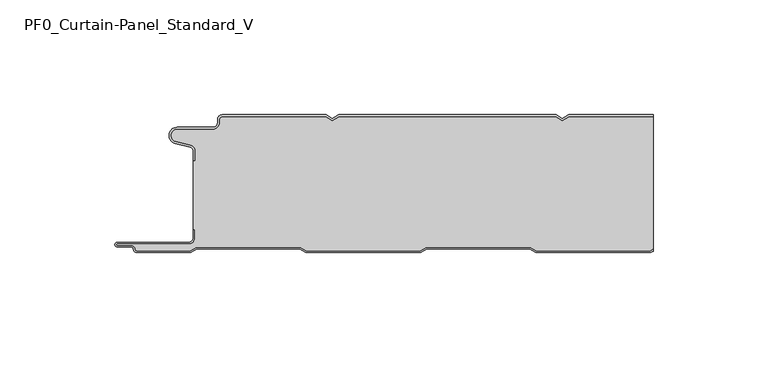
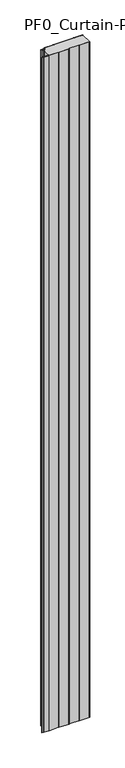
"""IFC4 building model written with IfcOpenShell, lengths in millimetres: plate geometry, PF0_Curtain-Panel_Standard_V."""

from ifc_helpers import new_model, si_unit, point, frame_2d, origin, origin_with_axes, place, context, project, spatial, polyline, circle_curve, trimmed, segment, composite_curve, outline, extrude, source, transform, mapped, element, save


def pf0_curtain_panel_standard_v_c6ac6e94(model_context):
    return source(origin(), model_context, "Body", "SweptSolid", [
        extrude(outline(composite_curve([segment(trimmed(circle_curve(frame_2d((-102.0, -15.878557)), 2.0), [point((-100.0, -15.878557))], [point((-101.5500978, -13.9298169))], True, "CARTESIAN"), True, "CONTINUOUS"), segment(polyline([(-101.5500978, -13.9298169), (-107.7098239, -12.507732)]), True, "CONTINUOUS"), segment(trimmed(circle_curve(frame_2d((-106.9, -9.0)), 3.6), [point((-107.7098239, -12.507732))], [point((-106.9, -5.4))], False, "CARTESIAN"), True, "CONTINUOUS"), segment(polyline([(-106.9, -5.4), (-91.4, -5.4)]), True, "CONTINUOUS"), segment(trimmed(circle_curve(frame_2d((-91.4, -3.4)), 2.0), [point((-91.4, -5.4))], [point((-89.4, -3.4))], True, "CARTESIAN"), True, "CONTINUOUS"), segment(polyline([(-89.4, -3.4), (-89.4, -2.0)]), True, "CONTINUOUS"), segment(trimmed(circle_curve(frame_2d((-87.4, -2.0)), 2.0), [point((-89.4, -2.0))], [point((-87.4, 0.0))], False, "CARTESIAN"), True, "CONTINUOUS"), segment(polyline([(-87.4, 0.0), (-42.0999995, 0.0), (-39.4, -1.5588455), (-36.7000005, 0.0), (57.9000005, 0.0), (60.6, -1.5588455), (63.2999995, 0.0), (100.0, 0.0), (100.0, -0.8), (63.5143588, -0.8), (60.6, -2.482606), (57.6856412, -0.8), (-36.4856412, -0.8), (-39.4, -2.482606), (-42.3143588, -0.8), (-87.4, -0.8)]), True, "CONTINUOUS"), segment(trimmed(circle_curve(frame_2d((-87.4, -2.0)), 1.2), [point((-87.4, -0.8))], [point((-88.6, -2.0))], True, "CARTESIAN"), True, "CONTINUOUS"), segment(polyline([(-88.6, -2.0), (-88.6, -3.4)]), True, "CONTINUOUS"), segment(trimmed(circle_curve(frame_2d((-91.4, -3.4)), 2.8), [point((-88.6, -3.4))], [point((-91.4, -6.2))], False, "CARTESIAN"), True, "CONTINUOUS"), segment(polyline([(-91.4, -6.2), (-106.9, -6.2)]), True, "CONTINUOUS"), segment(trimmed(circle_curve(frame_2d((-106.9, -9.0)), 2.8), [point((-106.9, -6.2))], [point((-107.529863, -11.7282362))], True, "CARTESIAN"), True, "CONTINUOUS"), segment(polyline([(-107.529863, -11.7282362), (-101.370137, -13.150321)]), True, "CONTINUOUS"), segment(trimmed(circle_curve(frame_2d((-102.0, -15.878557)), 2.8), [point((-101.370137, -13.150321))], [point((-99.2, -15.878557))], False, "CARTESIAN"), True, "CONTINUOUS"), segment(polyline([(-99.2, -15.878557), (-99.2, -20.0), (-100.0, -20.0), (-100.0, -15.878557)]), True, "CONTINUOUS")], self_intersect=False)), origin_with_axes(), (0.0, 0.0, 1.0), 3500.0),
        extrude(outline(composite_curve([segment(polyline([(-99.2, -50.0), (-100.0, -50.0), (-100.0, -20.0), (-99.2, -20.0), (-99.2, -15.878557)]), True, "CONTINUOUS"), segment(trimmed(circle_curve(frame_2d((-102.0, -15.878557)), 2.8), [point((-99.2, -15.878557))], [point((-101.370137, -13.1503208))], True, "CARTESIAN"), True, "CONTINUOUS"), segment(polyline([(-101.370137, -13.1503208), (-107.529863, -11.7282362)]), True, "CONTINUOUS"), segment(trimmed(circle_curve(frame_2d((-106.9, -9.0)), 2.8), [point((-107.529863, -11.7282362))], [point((-106.9, -6.2))], False, "CARTESIAN"), True, "CONTINUOUS"), segment(polyline([(-106.9, -6.2), (-91.4, -6.2)]), True, "CONTINUOUS"), segment(trimmed(circle_curve(frame_2d((-91.4, -3.4)), 2.8), [point((-91.4, -6.2))], [point((-88.6, -3.4))], True, "CARTESIAN"), True, "CONTINUOUS"), segment(polyline([(-88.6, -3.4), (-88.6, -2.0)]), True, "CONTINUOUS"), segment(trimmed(circle_curve(frame_2d((-87.4, -2.0)), 1.2), [point((-88.6, -2.0))], [point((-87.4, -0.8))], False, "CARTESIAN"), True, "CONTINUOUS"), segment(polyline([(-87.4, -0.8), (-42.3143588, -0.8), (-39.4, -2.482606), (-36.4856412, -0.8), (57.6856412, -0.8), (60.6, -2.482606), (63.5143588, -0.8), (100.0, -0.8), (100.0, -58.5016287), (98.7903848, -59.2), (49.2152562, -59.2), (46.6171786, -57.7), (1.3884624, -57.7), (-1.2096152, -59.2), (-50.7847438, -59.2), (-53.3828214, -57.7), (-98.6115376, -57.7), (-101.2096152, -59.2), (-124.4, -59.2)]), True, "CONTINUOUS"), segment(trimmed(circle_curve(frame_2d((-124.4, -58.4)), 0.8), [point((-124.4, -59.2))], [point((-125.2, -58.4))], False, "CARTESIAN"), True, "CONTINUOUS"), segment(trimmed(circle_curve(frame_2d((-126.9, -58.6133333)), 1.7133333), [point((-125.2, -58.4))], [point((-126.9, -56.9))], True, "CARTESIAN"), True, "CONTINUOUS"), segment(polyline([(-126.9, -56.9), (-132.8700312, -56.9)]), True, "CONTINUOUS"), segment(trimmed(circle_curve(frame_2d((-132.8700312, -56.6)), 0.3), [point((-132.8700312, -56.9))], [point((-132.8700312, -56.3))], False, "CARTESIAN"), True, "CONTINUOUS"), segment(polyline([(-132.8700312, -56.3), (-102.0, -56.3)]), True, "CONTINUOUS"), segment(trimmed(circle_curve(frame_2d((-102.0, -53.5)), 2.8), [point((-102.0, -56.3))], [point((-99.2, -53.5))], True, "CARTESIAN"), True, "CONTINUOUS"), segment(polyline([(-99.2, -53.5), (-99.2, -50.0)]), True, "CONTINUOUS")], self_intersect=False)), origin_with_axes(), (0.0, 0.0, 1.0), 3500.0),
        extrude(outline(composite_curve([segment(polyline([(-100.0, -50.0), (-99.2, -50.0), (-99.2, -53.5)]), True, "CONTINUOUS"), segment(trimmed(circle_curve(frame_2d((-102.0, -53.5)), 2.8), [point((-99.2, -53.5))], [point((-102.0, -56.3))], False, "CARTESIAN"), True, "CONTINUOUS"), segment(polyline([(-102.0, -56.3), (-132.8700312, -56.3)]), True, "CONTINUOUS"), segment(trimmed(circle_curve(frame_2d((-132.8700312, -56.6)), 0.3), [point((-132.8700312, -56.3))], [point((-132.8700312, -56.9))], True, "CARTESIAN"), True, "CONTINUOUS"), segment(polyline([(-132.8700312, -56.9), (-126.9, -56.9)]), True, "CONTINUOUS"), segment(trimmed(circle_curve(frame_2d((-126.9, -58.6133333)), 1.7133333), [point((-126.9, -56.9))], [point((-125.2, -58.4))], False, "CARTESIAN"), True, "CONTINUOUS"), segment(trimmed(circle_curve(frame_2d((-124.4, -58.4)), 0.8), [point((-125.2, -58.4))], [point((-124.4, -59.2))], True, "CARTESIAN"), True, "CONTINUOUS"), segment(polyline([(-124.4, -59.2), (-101.2096152, -59.2), (-98.6115376, -57.7), (-53.3828214, -57.7), (-50.7847438, -59.2), (-1.2096152, -59.2), (1.3884624, -57.7), (46.6171786, -57.7), (49.2152562, -59.2), (98.7903848, -59.2), (100.0, -58.5016287), (100.0, -59.425389), (99.0047441, -60.0), (49.0008969, -60.0), (46.4028193, -58.5), (1.6028217, -58.5), (-0.9952559, -60.0), (-50.9991031, -60.0), (-53.5971807, -58.5), (-98.3971783, -58.5), (-100.9952559, -60.0), (-124.4, -60.0)]), True, "CONTINUOUS"), segment(trimmed(circle_curve(frame_2d((-124.4, -58.4)), 1.6), [point((-124.4, -60.0))], [point((-126.0, -58.4))], False, "CARTESIAN"), True, "CONTINUOUS"), segment(trimmed(circle_curve(frame_2d((-126.9, -58.4)), 0.9), [point((-126.0, -58.4))], [point((-126.9, -57.5))], True, "CARTESIAN"), True, "CONTINUOUS"), segment(polyline([(-126.9, -57.5), (-133.0, -57.5)]), True, "CONTINUOUS"), segment(trimmed(circle_curve(frame_2d((-133.0, -56.5)), 1.0), [point((-133.0, -57.5))], [point((-133.0, -55.5))], False, "CARTESIAN"), True, "CONTINUOUS"), segment(polyline([(-133.0, -55.5), (-102.0, -55.5)]), True, "CONTINUOUS"), segment(trimmed(circle_curve(frame_2d((-102.0, -53.5)), 2.0), [point((-102.0, -55.5))], [point((-100.0, -53.5))], True, "CARTESIAN"), True, "CONTINUOUS"), segment(polyline([(-100.0, -53.5), (-100.0, -50.0)]), True, "CONTINUOUS")], self_intersect=False)), origin_with_axes(), (0.0, 0.0, 1.0), 3500.0),
    ])


if __name__ == "__main__":
    model = new_model("IFC4")
    model_context = context("Model", 3, world=origin())
    ifc_project = project(units=[si_unit("LENGTHUNIT", "METRE", prefix="MILLI")], contexts=[model_context])
    site = spatial("IfcSite", under=ifc_project)
    building = spatial("IfcBuilding", under=site)
    placement = place(None, origin())
    pf0_curtain_panel_standard_v_shape = pf0_curtain_panel_standard_v_c6ac6e94(model_context)
    element("IfcPlate", 1, ObjectType="PF0_Curtain-Panel_Standard_V", at=placement, inside=building, context=model_context, shape_type="MappedRepresentation", body=[
        mapped(pf0_curtain_panel_standard_v_shape, transform((0.0, 0.0, 0.0), x_axis=(1.0, 0.0, 0.0), y_axis=(0.0, 1.0, 0.0), z_axis=(0.0, 0.0, 1.0))),
    ])
    save(model, "model.ifc")
